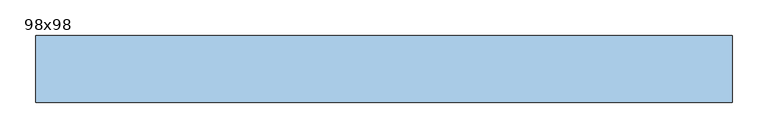
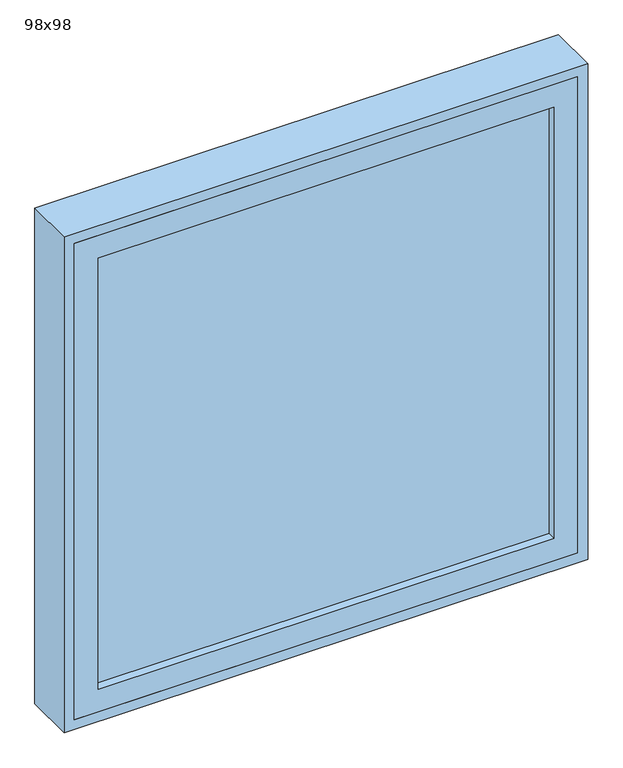
"""IFC4 building model written with IfcOpenShell, lengths in millimetres: window geometry, 98x98."""

from ifc_helpers import new_model, si_unit, frame, origin, place, context, project, spatial, polyline, outline, extrude, source, transform, mapped, element, save


def window_98x98_e25107e0(model_context):
    return source(origin(), model_context, "Body", "SweptSolid", [
        extrude(outline(polyline([(388.4, 106.425), (-464.6, 106.425), (-464.6, 119.125), (388.4, 119.125), (388.4, 106.425)])), frame((0.0, 0.0, 977.9), z_axis=(0.0, 0.0, 1.0), x_axis=(1.0, 0.0, 0.0)), (0.0, 0.0, 1.0), 853.0),
        extrude(outline(polyline([(1875.35, -509.05), (933.45, -509.05), (933.45, 432.85), (1875.35, 432.85), (1875.35, -509.05)]), holes=[polyline([(1830.9, -464.6), (1830.9, 388.4), (977.9, 388.4), (977.9, -464.6), (1830.9, -464.6)])]), frame((0.0, 90.55, 0.0), z_axis=(0.0, 1.0, 0.0), x_axis=(0.0, 0.0, 1.0)), (0.0, 0.0, 1.0), 44.45),
        extrude(outline(polyline([(1894.4, 451.9), (1894.4, -528.1), (914.4, -528.1), (914.4, 451.9), (1894.4, 451.9)]), holes=[polyline([(1875.35, 432.85), (933.45, 432.85), (933.45, -509.05), (1875.35, -509.05), (1875.35, 432.85)])]), frame((0.0, 90.55, 0.0), z_axis=(0.0, 1.0, 0.0), x_axis=(0.0, 0.0, 1.0)), (0.0, 0.0, 1.0), 94.45),
    ])


if __name__ == "__main__":
    model = new_model("IFC4")
    model_context = context("Model", 3, world=origin())
    ifc_project = project(units=[si_unit("LENGTHUNIT", "METRE", prefix="MILLI")], contexts=[model_context])
    site = spatial("IfcSite", under=ifc_project)
    building = spatial("IfcBuilding", under=site)
    placement = place(None, origin())
    window_98x98_shape = window_98x98_e25107e0(model_context)
    element("IfcWindow", 1, ObjectType="98x98", at=placement, inside=building, context=model_context, shape_type="MappedRepresentation", body=[
        mapped(window_98x98_shape, transform((0.0, 0.0, 0.0), x_axis=(1.0, 0.0, 0.0), y_axis=(0.0, 1.0, 0.0), z_axis=(0.0, 0.0, 1.0))),
    ])
    save(model, "model.ifc")
